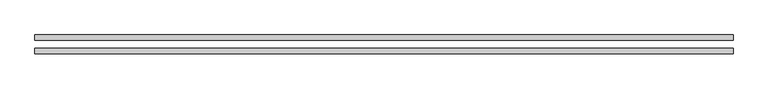
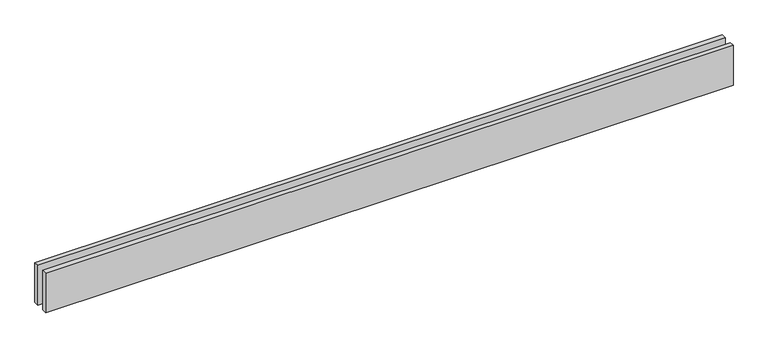
"""IFC4 building model written with IfcOpenShell, lengths in millimetres: proxy geometry."""

from ifc_helpers import new_model, si_unit, origin, origin_with_axes, place, context, project, spatial, polyline, outline, extrude, source, transform, mapped, element, save


def generic_models_45038697(model_context):
    return source(origin(), model_context, "Body", "SweptSolid", [
        extrude(outline(polyline([(4110.0, 25.0), (0.0, 25.0), (0.0, 55.0), (4110.0, 55.0), (4110.0, 25.0)])), origin_with_axes(), (0.0, 0.0, 1.0), 250.0),
        extrude(outline(polyline([(4110.0, -55.0), (0.0, -55.0), (0.0, -25.0), (4110.0, -25.0), (4110.0, -55.0)])), origin_with_axes(), (0.0, 0.0, 1.0), 250.0),
    ])


if __name__ == "__main__":
    model = new_model("IFC4")
    model_context = context("Model", 3, world=origin())
    ifc_project = project(units=[si_unit("LENGTHUNIT", "METRE", prefix="MILLI")], contexts=[model_context])
    site = spatial("IfcSite", under=ifc_project)
    building = spatial("IfcBuilding", under=site)
    placement = place(None, origin())
    generic_models_shape = generic_models_45038697(model_context)
    element("IfcBuildingElementProxy", 1, Name="Generic Models", at=placement, inside=building, context=model_context, shape_type="MappedRepresentation", body=[
        mapped(generic_models_shape, transform((0.0, 0.0, 0.0), x_axis=(1.0, 0.0, 0.0), y_axis=(0.0, 1.0, 0.0), z_axis=(0.0, 0.0, 1.0))),
    ])
    save(model, "model.ifc")
